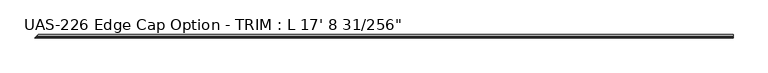
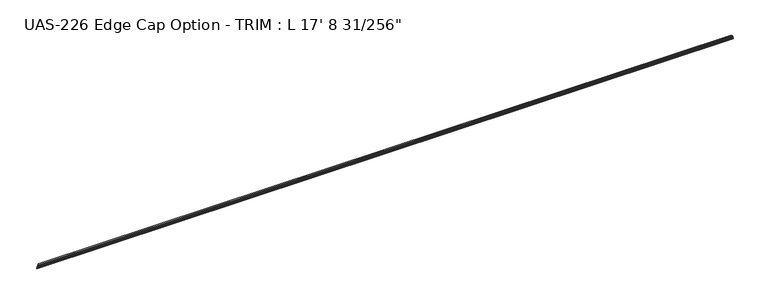
"""IFC4 building model written with IfcOpenShell, lengths in millimetres: proxy geometry."""

from ifc_helpers import new_model, si_unit, frame, origin, place, context, project, spatial, circle_curve, ellipse_curve, source, transform, mapped, element, save
from ifc_brep_helpers import plane_surface, cylinder_surface, advanced_brep


def proxy_d8b6ab22(model_context):
    return source(origin(), model_context, "Body", "AdvancedBrep", [
        advanced_brep(
        [(5387.8757813, 0.0, 14.2875), (5387.8757813, -12.2786739, 14.2875), (5387.8757813, -15.4536739, 14.2875), (5387.8757813, -19.6319739, 14.2875), (5387.8757813, -22.7815739, 14.2875), (5387.8757813, -26.9852739, 14.2875), (5387.8757813, -26.9852739, 12.7), (5387.8757813, -17.9111239, 12.7), (5387.8757813, -17.9111239, 3.175), (5387.8757813, -26.9852739, 3.175), (5387.8757813, -26.9852739, 1.5875), (5387.8757813, -22.7815739, 1.5875), (5387.8757813, -19.6319739, 1.5875), (5387.8757813, -15.4536739, 1.5875), (5387.8757813, -12.2786739, 1.5875), (5387.8757813, 0.0, 1.5875), (5387.8757813, 0.0, 2.8080426), (5387.8757813, -0.5981599, 3.4062025), (5387.8757813, -1.3929204, 3.4062025), (5387.8757813, -2.1509032, 3.1452081), (5387.8757813, -2.9088859, 3.4062025), (5387.8757813, -3.6668687, 3.1452081), (5387.8757813, -4.4248515, 3.4062025), (5387.8757813, -5.1828342, 3.1452081), (5387.8757813, -5.940817, 3.4062025), (5387.8757813, -6.798801, 3.1452081), (5387.8757813, -7.5567838, 3.4062025), (5387.8757813, -8.316831, 3.175), (5387.8757813, -16.3871239, 3.175), (5387.8757813, -16.3871239, 6.35), (5387.8757813, -16.6422877, 7.1888169), (5387.8757813, -16.6422877, 8.6861831), (5387.8757813, -16.3871239, 9.525), (5387.8757813, -16.3871239, 12.7), (5387.8757813, -8.316831, 12.7), (5387.8757813, -7.5567838, 12.4687975), (5387.8757813, -6.798801, 12.7297919), (5387.8757813, -5.940817, 12.4687975), (5387.8757813, -5.1828342, 12.7297919), (5387.8757813, -4.4248515, 12.4687975), (5387.8757813, -3.6668687, 12.7297919), (5387.8757813, -2.9088859, 12.4687975), (5387.8757813, -2.1509032, 12.7297919), (5387.8757813, -1.3929204, 12.4687975), (5387.8757813, -0.5981599, 12.4687975), (5387.8757813, 0.0, 13.0669574), (26.9852739, 0.0, 14.2875), (14.7066, -12.2786739, 14.2875), (26.9852739, 0.0, 13.0669574), (26.3871139, -0.5981599, 12.4687975), (25.5923535, -1.3929204, 12.4687975), (24.8343707, -2.1509032, 12.7297919), (24.0763879, -2.9088859, 12.4687975), (23.3184052, -3.6668687, 12.7297919), (22.5604224, -4.4248515, 12.4687975), (21.8024396, -5.1828342, 12.7297919), (21.0444569, -5.940817, 12.4687975), (20.1864728, -6.798801, 12.7297919), (19.4284901, -7.5567838, 12.4687975), (18.6684429, -8.316831, 12.7), (10.59815, -16.3871239, 12.7), (10.59815, -16.3871239, 9.525), (10.3429861, -16.6422877, 8.6861831), (10.3429861, -16.6422877, 7.1888169), (10.59815, -16.3871239, 6.35), (10.59815, -16.3871239, 3.175), (18.6684429, -8.316831, 3.175), (19.4284901, -7.5567838, 3.4062025), (20.1864728, -6.798801, 3.1452081), (21.0444569, -5.940817, 3.4062025), (21.8024396, -5.1828342, 3.1452081), (22.5604224, -4.4248515, 3.4062025), (23.3184052, -3.6668687, 3.1452081), (24.0763879, -2.9088859, 3.4062025), (24.8343707, -2.1509032, 3.1452081), (25.5923535, -1.3929204, 3.4062025), (26.3871139, -0.5981599, 3.4062025), (26.9852739, 0.0, 2.8080426), (26.9852739, 0.0, 1.5875), (14.7066, -12.2786739, 1.5875), (9.07415, -17.9111239, 12.7), (9.07415, -17.9111239, 3.175), (0.0, -26.9852739, 12.7), (0.0, -26.9852739, 14.2875), (11.5316, -15.4536739, 14.2875), (7.3533, -19.6319739, 14.2875), (4.2037, -22.7815739, 14.2875), (0.0, -26.9852739, 3.175), (0.0, -26.9852739, 1.5875), (4.2037, -22.7815739, 1.5875), (7.3533, -19.6319739, 1.5875), (11.5316, -15.4536739, 1.5875), (13.1191, -13.8661739, 0.0)],
        [
            (0, 1),
            (1, 2, circle_curve(frame((5387.8757813, -13.8661739, 14.2875), z_axis=(1.0, 0.0, 0.0), x_axis=(0.0, -1.0, 0.0)), 1.5875)),
            (2, 3),
            (3, 4, circle_curve(frame((5387.8757813, -21.2067739, 14.2875), z_axis=(1.0, 0.0, 0.0), x_axis=(0.0, -1.0, 0.0)), 1.5748)),
            (4, 5),
            (5, 6),
            (6, 7),
            (7, 8),
            (8, 9),
            (9, 10),
            (10, 11),
            (11, 12, circle_curve(frame((5387.8757813, -21.2067739, 1.5875), z_axis=(1.0, 0.0, 0.0), x_axis=(0.0, -1.0, 0.0)), 1.5748)),
            (12, 13),
            (13, 14, circle_curve(frame((5387.8757813, -13.8661739, 1.5875), z_axis=(1.0, 0.0, 0.0), x_axis=(0.0, -1.0, 0.0)), 1.5875)),
            (14, 15),
            (15, 16),
            (16, 17, circle_curve(frame((5387.8757813, -0.5981599, 2.8080426), z_axis=(1.0, 0.0, 0.0), x_axis=(0.0, -1.0, 0.0)), 0.5981599)),
            (17, 18),
            (18, 19),
            (19, 20),
            (20, 21),
            (21, 22),
            (22, 23),
            (23, 24),
            (24, 25),
            (25, 26),
            (26, 27),
            (27, 28),
            (28, 29),
            (29, 30),
            (30, 31),
            (31, 32),
            (32, 33),
            (33, 34),
            (34, 35),
            (35, 36),
            (36, 37),
            (37, 38),
            (38, 39),
            (39, 40),
            (40, 41),
            (41, 42),
            (42, 43),
            (43, 44),
            (44, 45, circle_curve(frame((5387.8757813, -0.5981599, 13.0669574), z_axis=(1.0, 0.0, 0.0), x_axis=(0.0, -1.0, 0.0)), 0.5981599)),
            (45, 0),
            (0, 46),
            (46, 47),
            (47, 1),
            (45, 48),
            (48, 46),
            (44, 49),
            (49, 48, ellipse_curve(frame((26.3871139, -0.5981599, 13.0669574), z_axis=(0.707106781186547, -0.7071067811865481, 0.0), x_axis=(0.7071067811865478, 0.707106781186547, 0.0)), 0.8459259, 0.5981599)),
            (43, 50),
            (50, 49),
            (42, 51),
            (51, 50),
            (41, 52),
            (52, 51),
            (40, 53),
            (53, 52),
            (39, 54),
            (54, 53),
            (38, 55),
            (55, 54),
            (37, 56),
            (56, 55),
            (36, 57),
            (57, 56),
            (35, 58),
            (58, 57),
            (34, 59),
            (59, 58),
            (33, 60),
            (60, 59),
            (32, 61),
            (61, 60),
            (31, 62),
            (62, 61),
            (30, 63),
            (63, 62),
            (29, 64),
            (64, 63),
            (28, 65),
            (65, 64),
            (27, 66),
            (66, 65),
            (26, 67),
            (67, 66),
            (25, 68),
            (68, 67),
            (24, 69),
            (69, 68),
            (23, 70),
            (70, 69),
            (22, 71),
            (71, 70),
            (21, 72),
            (72, 71),
            (20, 73),
            (73, 72),
            (19, 74),
            (74, 73),
            (18, 75),
            (75, 74),
            (17, 76),
            (76, 75),
            (16, 77),
            (77, 76, ellipse_curve(frame((26.3871139, -0.5981599, 2.8080426), z_axis=(0.707106781186547, -0.7071067811865481, 0.0), x_axis=(0.7071067811865478, 0.707106781186547, 0.0)), 0.8459259, 0.5981599)),
            (15, 78),
            (78, 77),
            (14, 79),
            (79, 78),
            (7, 80),
            (80, 81),
            (81, 8),
            (6, 82),
            (82, 80),
            (5, 83),
            (83, 82),
            (47, 84, ellipse_curve(frame((13.1191, -13.8661739, 14.2875), z_axis=(0.707106781186547, -0.7071067811865481, 0.0), x_axis=(0.7071067811865478, 0.707106781186547, 0.0)), 2.245064, 1.5875)),
            (84, 2),
            (84, 85),
            (85, 3),
            (85, 86, ellipse_curve(frame((5.7785, -21.2067739, 14.2875), z_axis=(0.707106781186547, -0.7071067811865481, 0.0), x_axis=(0.7071067811865478, 0.707106781186547, 0.0)), 2.2271035, 1.5748)),
            (86, 4),
            (86, 83),
            (81, 87),
            (87, 9),
            (87, 88),
            (88, 10),
            (88, 89),
            (89, 11),
            (89, 90, ellipse_curve(frame((5.7785, -21.2067739, 1.5875), z_axis=(0.707106781186547, -0.7071067811865481, 0.0), x_axis=(0.7071067811865478, 0.707106781186547, 0.0)), 2.2271035, 1.5748)),
            (90, 12),
            (90, 91),
            (91, 13),
            (91, 92, ellipse_curve(frame((13.1191, -13.8661739, 1.5875), z_axis=(0.707106781186547, -0.7071067811865481, 0.0), x_axis=(0.7071067811865478, 0.707106781186547, 0.0)), 2.245064, 1.5875)),
            (92, 79, ellipse_curve(frame((13.1191, -13.8661739, 1.5875), z_axis=(0.707106781186547, -0.7071067811865481, 0.0), x_axis=(0.7071067811865478, 0.707106781186547, 0.0)), 2.245064, 1.5875)),
        ],
        [
            plane_surface(frame((5387.8757813, -9.83615, 14.2875), z_axis=(1.0, 0.0, 0.0), x_axis=(0.0, -1.0, 0.0))),
            plane_surface(frame((5387.8757813, 0.0, 14.2875), z_axis=(0.0, 0.0, 1.0), x_axis=(-1.0, 0.0, 0.0))),
            plane_surface(frame((5387.8757813, 0.0, 13.0669574), z_axis=(0.0, 1.0, 0.0), x_axis=(-1.0, 0.0, 0.0))),
            cylinder_surface(frame((0.0, -0.5981599, 13.0669574), z_axis=(1.0, 0.0, 0.0), x_axis=(0.0, -1.0, 0.0)), 0.5981599),
            plane_surface(frame((5387.8757813, -1.3929204, 12.4687975), z_axis=(0.0, 0.0, -1.0), x_axis=(-1.0, 0.0, 0.0))),
            plane_surface(frame((5387.8757813, -2.1509032, 12.7297919), z_axis=(0.0, -0.32556815445715337, -0.945518575599318), x_axis=(-1.0, 0.0, 0.0))),
            plane_surface(frame((5387.8757813, -2.9088859, 12.4687975), z_axis=(0.0, 0.3255681544571601, -0.9455185755993156), x_axis=(-1.0, 0.0, 0.0))),
            plane_surface(frame((5387.8757813, -3.6668687, 12.7297919), z_axis=(0.0, -0.3255681544571535, -0.945518575599318), x_axis=(-1.0, 0.0, 0.0))),
            plane_surface(frame((5387.8757813, -4.4248515, 12.4687975), z_axis=(0.0, 0.3255681544571602, -0.9455185755993156), x_axis=(-1.0, 0.0, 0.0))),
            plane_surface(frame((5387.8757813, -5.1828342, 12.7297919), z_axis=(0.0, -0.32556815445715653, -0.945518575599317), x_axis=(-1.0, 0.0, 0.0))),
            plane_surface(frame((5387.8757813, -5.940817, 12.4687975), z_axis=(0.0, 0.32556815445716, -0.9455185755993156), x_axis=(-1.0, 0.0, 0.0))),
            plane_surface(frame((5387.8757813, -6.798801, 12.7297919), z_axis=(0.0, -0.29102774283877636, -0.9567146141343128), x_axis=(-1.0, 0.0, 0.0))),
            plane_surface(frame((5387.8757813, -7.5567838, 12.4687975), z_axis=(0.0, 0.32556815445716, -0.9455185755993156), x_axis=(-1.0, 0.0, 0.0))),
            plane_surface(frame((5387.8757813, -8.316831, 12.7), z_axis=(0.0, -0.2910277428387799, -0.9567146141343118), x_axis=(-1.0, 0.0, 0.0))),
            plane_surface(frame((5387.8757813, -16.3871239, 12.7), z_axis=(0.0, 0.0, -1.0), x_axis=(-1.0, 0.0, 0.0))),
            plane_surface(frame((5387.8757813, -16.3871239, 9.525), z_axis=(0.0, 1.0, 0.0), x_axis=(-1.0, 0.0, 0.0))),
            plane_surface(frame((5387.8757813, -16.6422877, 8.6861831), z_axis=(0.0, 0.9567146141343112, -0.2910277428387818), x_axis=(-1.0, 0.0, 0.0))),
            plane_surface(frame((5387.8757813, -16.6422877, 7.1888169), z_axis=(0.0, 1.0, 0.0), x_axis=(-1.0, 0.0, 0.0))),
            plane_surface(frame((5387.8757813, -16.3871239, 6.35), z_axis=(0.0, 0.9567146141343097, 0.2910277428387868), x_axis=(-1.0, 0.0, 0.0))),
            plane_surface(frame((5387.8757813, -16.3871239, 3.175), z_axis=(0.0, 1.0, 0.0), x_axis=(-1.0, 0.0, 0.0))),
            plane_surface(frame((5387.8757813, -8.316831, 3.175), z_axis=(0.0, 0.0, 1.0), x_axis=(-1.0, 0.0, 0.0))),
            plane_surface(frame((5387.8757813, -7.5567838, 3.4062025), z_axis=(0.0, -0.2910277428387864, 0.9567146141343098), x_axis=(-1.0, 0.0, 0.0))),
            plane_surface(frame((5387.8757813, -6.798801, 3.1452081), z_axis=(0.0, 0.32556815445715465, 0.9455185755993175), x_axis=(-1.0, 0.0, 0.0))),
            plane_surface(frame((5387.8757813, -5.940817, 3.4062025), z_axis=(0.0, -0.29102774283878274, 0.956714614134311), x_axis=(-1.0, 0.0, 0.0))),
            plane_surface(frame((5387.8757813, -5.1828342, 3.1452081), z_axis=(0.0, 0.32556815445715365, 0.9455185755993178), x_axis=(-1.0, 0.0, 0.0))),
            plane_surface(frame((5387.8757813, -4.4248515, 3.4062025), z_axis=(0.0, -0.3255681544571627, 0.9455185755993147), x_axis=(-1.0, 0.0, 0.0))),
            plane_surface(frame((5387.8757813, -3.6668687, 3.1452081), z_axis=(0.0, 0.32556815445715365, 0.945518575599318), x_axis=(-1.0, 0.0, 0.0))),
            plane_surface(frame((5387.8757813, -2.9088859, 3.4062025), z_axis=(0.0, -0.32556815445715964, 0.9455185755993158), x_axis=(-1.0, 0.0, 0.0))),
            plane_surface(frame((5387.8757813, -2.1509032, 3.1452081), z_axis=(0.0, 0.32556815446358206, 0.9455185755971044), x_axis=(-1.0, 0.0, 0.0))),
            plane_surface(frame((5387.8757813, -1.3929204, 3.4062025), z_axis=(0.0, -0.3255681544571598, 0.9455185755993158), x_axis=(-1.0, 0.0, 0.0))),
            plane_surface(frame((5387.8757813, -0.5981599, 3.4062025), z_axis=(0.0, 0.0, 1.0), x_axis=(-1.0, 0.0, 0.0))),
            cylinder_surface(frame((0.0, -0.5981599, 2.8080426), z_axis=(1.0, 0.0, 0.0), x_axis=(0.0, -1.0, 0.0)), 0.5981599),
            plane_surface(frame((5387.8757813, 0.0, 1.5875), z_axis=(0.0, 1.0, 0.0), x_axis=(-1.0, 0.0, 0.0))),
            plane_surface(frame((5387.8757813, -12.2786739, 1.5875), z_axis=(0.0, 0.0, -1.0), x_axis=(-1.0, 0.0, 0.0))),
            plane_surface(frame((5387.8757813, -17.9111239, 12.7), z_axis=(0.0, -1.0, 0.0), x_axis=(-1.0, 0.0, 0.0))),
            plane_surface(frame((5387.8757813, -26.9852739, 12.7), z_axis=(0.0, 0.0, -1.0), x_axis=(-1.0, 0.0, 0.0))),
            plane_surface(frame((5387.8757813, -26.9852739, 14.2875), z_axis=(0.0, -1.0, 0.0), x_axis=(-1.0, 0.0, 0.0))),
            cylinder_surface(frame((0.0, -13.8661739, 14.2875), z_axis=(1.0, 0.0, 0.0), x_axis=(0.0, -1.0, 0.0)), 1.5875),
            plane_surface(frame((5387.8757813, -15.4536739, 14.2875), z_axis=(0.0, 0.0, 1.0), x_axis=(-1.0, 0.0, 0.0))),
            cylinder_surface(frame((0.0, -21.2067739, 14.2875), z_axis=(1.0, 0.0, 0.0), x_axis=(0.0, -1.0, 0.0)), 1.5748),
            plane_surface(frame((5387.8757813, -22.7815739, 14.2875), z_axis=(0.0, 0.0, 1.0), x_axis=(-1.0, 0.0, 0.0))),
            plane_surface(frame((5387.8757813, -17.9111239, 3.175), z_axis=(0.0, 0.0, 1.0), x_axis=(-1.0, 0.0, 0.0))),
            plane_surface(frame((5387.8757813, -26.9852739, 3.175), z_axis=(0.0, -1.0, 0.0), x_axis=(-1.0, 0.0, 0.0))),
            plane_surface(frame((5387.8757813, -26.9852739, 1.5875), z_axis=(0.0, 0.0, -1.0), x_axis=(-1.0, 0.0, 0.0))),
            cylinder_surface(frame((0.0, -21.2067739, 1.5875), z_axis=(1.0, 0.0, 0.0), x_axis=(0.0, -1.0, 0.0)), 1.5748),
            plane_surface(frame((5387.8757813, -19.6319739, 1.5875), z_axis=(0.0, 0.0, -1.0), x_axis=(-1.0, 0.0, 0.0))),
            cylinder_surface(frame((0.0, -13.8661739, 1.5875), z_axis=(1.0, 0.0, 0.0), x_axis=(0.0, -1.0, 0.0)), 1.5875),
            plane_surface(frame((0.0, -26.9852739, 16.148053), z_axis=(-0.707106781186547, 0.7071067811865481, 0.0), x_axis=(0.0, 0.0, -1.0))),
        ],
        [
            (0, [[1, 2, 3, 4, 5, 6, 7, 8, 9, 10, 11, 12, 13, 14, 15, 16, 17, 18, 19, 20, 21, 22, 23, 24, 25, 26, 27, 28, 29, 30, 31, 32, 33, 34, 35, 36, 37, 38, 39, 40, 41, 42, 43, 44, 45, 46]]),
            (1, [[-1, 47, 48, 49]]),
            (2, [[-46, 50, 51, -47]]),
            (3, [[-45, 52, 53, -50]]),
            (4, [[-44, 54, 55, -52]]),
            (5, [[-43, 56, 57, -54]]),
            (6, [[-42, 58, 59, -56]]),
            (7, [[-41, 60, 61, -58]]),
            (8, [[-40, 62, 63, -60]]),
            (9, [[-39, 64, 65, -62]]),
            (10, [[-38, 66, 67, -64]]),
            (11, [[-37, 68, 69, -66]]),
            (12, [[-36, 70, 71, -68]]),
            (13, [[-35, 72, 73, -70]]),
            (14, [[-34, 74, 75, -72]]),
            (15, [[-33, 76, 77, -74]]),
            (16, [[-32, 78, 79, -76]]),
            (17, [[-31, 80, 81, -78]]),
            (18, [[-30, 82, 83, -80]]),
            (19, [[-29, 84, 85, -82]]),
            (20, [[-28, 86, 87, -84]]),
            (21, [[-27, 88, 89, -86]]),
            (22, [[-26, 90, 91, -88]]),
            (23, [[-25, 92, 93, -90]]),
            (24, [[-24, 94, 95, -92]]),
            (25, [[-23, 96, 97, -94]]),
            (26, [[-22, 98, 99, -96]]),
            (27, [[-21, 100, 101, -98]]),
            (28, [[-20, 102, 103, -100]]),
            (29, [[-19, 104, 105, -102]]),
            (30, [[-18, 106, 107, -104]]),
            (31, [[-17, 108, 109, -106]]),
            (32, [[-16, 110, 111, -108]]),
            (33, [[-15, 112, 113, -110]]),
            (34, [[-8, 114, 115, 116]]),
            (35, [[-7, 117, 118, -114]]),
            (36, [[-6, 119, 120, -117]]),
            (37, [[-2, -49, 121, 122]]),
            (38, [[-3, -122, 123, 124]]),
            (39, [[-4, -124, 125, 126]]),
            (40, [[-5, -126, 127, -119]]),
            (41, [[-9, -116, 128, 129]]),
            (42, [[-10, -129, 130, 131]]),
            (43, [[-11, -131, 132, 133]]),
            (44, [[-12, -133, 134, 135]]),
            (45, [[-13, -135, 136, 137]]),
            (46, [[-14, -137, 138, 139, -112]]),
            (47, [[-48, -51, -53, -55, -57, -59, -61, -63, -65, -67, -69, -71, -73, -75, -77, -79, -81, -83, -85, -87, -89, -91, -93, -95, -97, -99, -101, -103, -105, -107, -109, -111, -113, -139, -138, -136, -134, -132, -130, -128, -115, -118, -120, -127, -125, -123, -121]]),
        ],
    ),
    ])


if __name__ == "__main__":
    model = new_model("IFC4")
    model_context = context("Model", 3, world=origin())
    ifc_project = project(units=[si_unit("LENGTHUNIT", "METRE", prefix="MILLI")], contexts=[model_context])
    site = spatial("IfcSite", under=ifc_project)
    building = spatial("IfcBuilding", under=site)
    placement = place(None, origin())
    proxy_shape = proxy_d8b6ab22(model_context)
    element("IfcBuildingElementProxy", 1, Name="UAS-226 Edge Cap Option - TRIM : L 17' 8 31/256\"", ObjectType="UAS-226 Edge Cap Option - TRIM : L 17' 8 31/256\"", at=placement, inside=building, context=model_context, shape_type="MappedRepresentation", body=[
        mapped(proxy_shape, transform((0.0, 0.0, 0.0), x_axis=(1.0, 0.0, 0.0), y_axis=(0.0, 1.0, 0.0), z_axis=(0.0, 0.0, 1.0))),
    ])
    save(model, "model.ifc")
